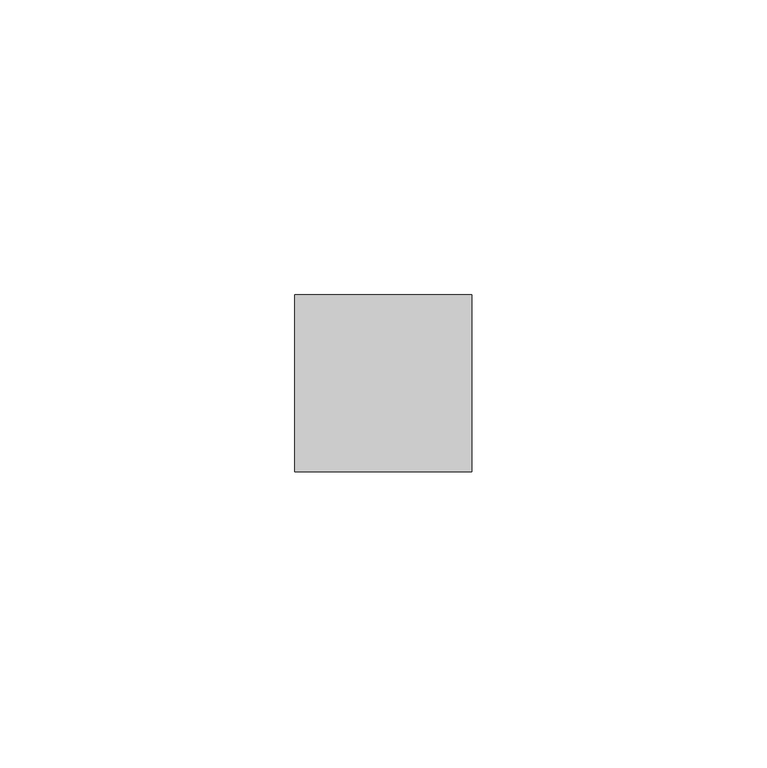
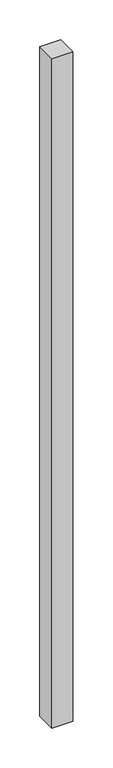
"""IFC4 building model written with IfcOpenShell, lengths in millimetres: member geometry."""

from ifc_helpers import new_model, si_unit, frame, origin, place, context, project, spatial, polyline, outline, extrude, source, transform, mapped, element, save


def member_2408c471(model_context):
    return source(origin(), model_context, "Body", "SweptSolid", [
        extrude(outline(polyline([(15.0, 15.0), (15.0, -15.0), (-15.0, -15.0), (-15.0, 15.0), (15.0, 15.0)])), frame((0.0, 0.0, -1022.5), z_axis=(0.0, 0.0, 1.0), x_axis=(1.0, 0.0, 0.0)), (0.0, 0.0, 1.0), 1022.5),
    ])


if __name__ == "__main__":
    model = new_model("IFC4")
    model_context = context("Model", 3, world=origin())
    ifc_project = project(units=[si_unit("LENGTHUNIT", "METRE", prefix="MILLI")], contexts=[model_context])
    site = spatial("IfcSite", under=ifc_project)
    building = spatial("IfcBuilding", under=site)
    placement = place(None, origin())
    member_shape = member_2408c471(model_context)
    element("IfcMember", 1, at=placement, inside=building, context=model_context, shape_type="MappedRepresentation", body=[
        mapped(member_shape, transform((0.0, 0.0, 0.0), x_axis=(1.0, 0.0, 0.0), y_axis=(0.0, 1.0, 0.0), z_axis=(0.0, 0.0, 1.0))),
    ])
    save(model, "model.ifc")
